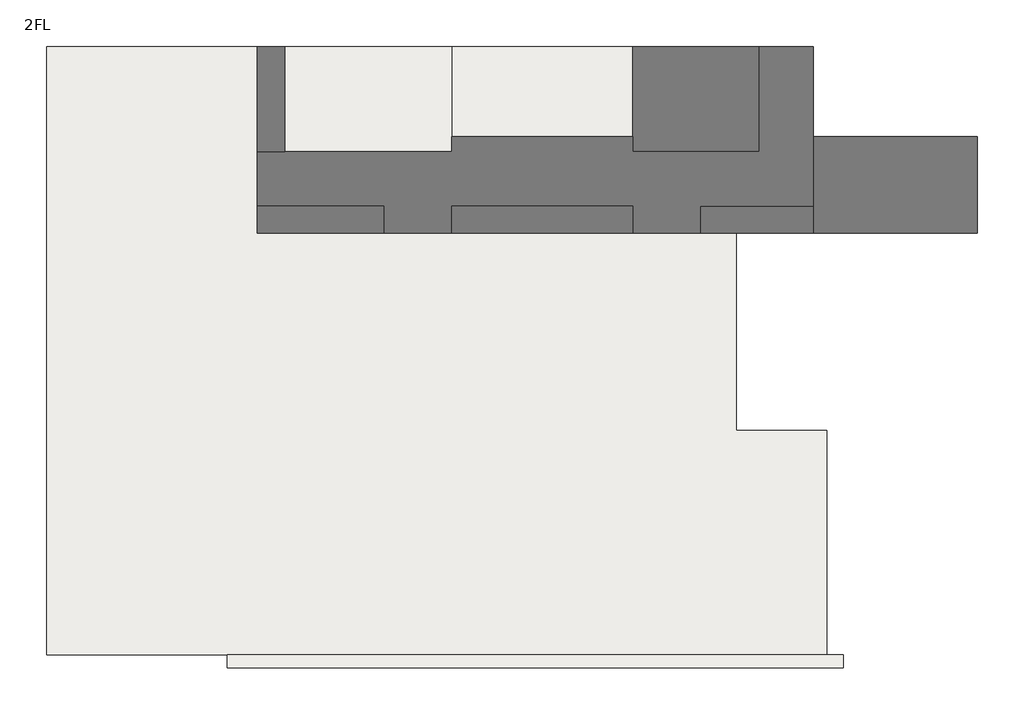
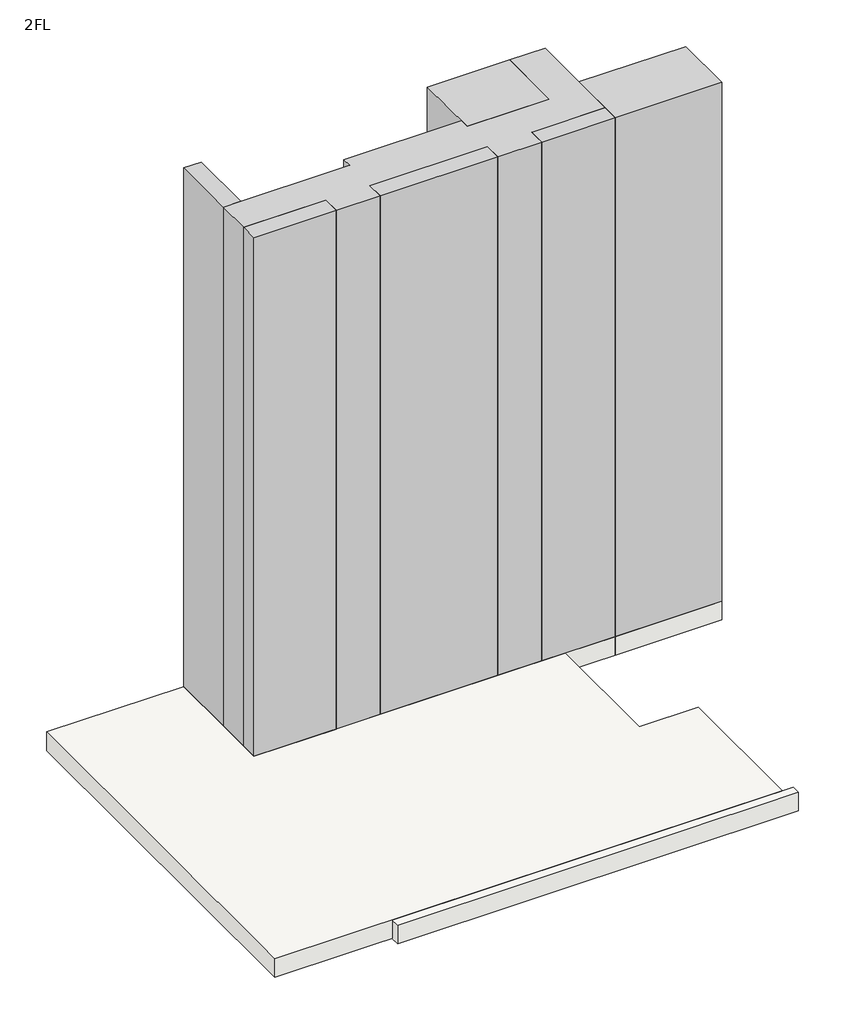
# One storey: 11 slabs, 7 proxies.
"""IFC4 building model written with IfcOpenShell, lengths in millimetres."""

from ifc_helpers import new_model, si_unit, frame, origin, place, context, project, spatial, polyline, outline, extrude, element, save

model = new_model("IFC4")

# Units and contexts
model_context = context("Model", 3, world=origin())
ifc_project = project(units=[si_unit("LENGTHUNIT", "METRE", prefix="MILLI")], contexts=[model_context])

# Site, building, storey
site = spatial("IfcSite", under=ifc_project)
building = spatial("IfcBuilding", under=site)
storey = spatial("IfcBuildingStorey", under=building, Name="2FL", Elevation=4600.0)

# Proxies
placement = place(None, origin())
element("IfcBuildingElementProxy", 1, Name="Mass", at=placement, inside=storey, context=model_context, shape_type="SweptSolid", body=[
    extrude(outline(polyline([(-5195.9784025, 16649.6868987), (-5195.9784025, 13149.6868987), (-9395.9784025, 13149.6868987), (-9395.9784025, 16649.6868987), (-5195.9784025, 16649.6868987)])), frame((0.0, 0.0, 4600.0), z_axis=(0.0, 0.0, 1.0), x_axis=(1.0, 0.0, 0.0)), (0.0, 0.0, 1.0), 28000.0),
])
element("IfcBuildingElementProxy", 2, Name="Mass", at=placement, inside=storey, context=model_context, shape_type="SweptSolid", body=[
    extrude(outline(polyline([(2054.0215975, 13649.6868987), (2054.0215975, 10449.6868987), (-3395.9784025, 10449.6868987), (-3395.9784025, 13649.6868987), (2054.0215975, 13649.6868987)])), frame((0.0, 0.0, 4600.0), z_axis=(0.0, 0.0, 1.0), x_axis=(1.0, 0.0, 0.0)), (0.0, 0.0, 1.0), 28000.0),
])
element("IfcBuildingElementProxy", 3, Name="Mass", at=placement, inside=storey, context=model_context, shape_type="SweptSolid", body=[
    extrude(outline(polyline([(-20945.9784025, 16649.6868987), (-20945.9784025, 13149.6868987), (-21845.9784025, 13149.6868987), (-21845.9784025, 16649.6868987), (-20945.9784025, 16649.6868987)])), frame((0.0, 0.0, 4600.0), z_axis=(0.0, 0.0, 1.0), x_axis=(1.0, 0.0, 0.0)), (0.0, 0.0, 1.0), 28000.0),
])
element("IfcBuildingElementProxy", 4, Name="Mass", at=placement, inside=storey, context=model_context, shape_type="SweptSolid", body=[
    extrude(outline(polyline([(-17645.9784025, 11349.6868987), (-17645.9784025, 10449.6868987), (-21845.9784025, 10449.6868987), (-21845.9784025, 11349.6868987), (-17645.9784025, 11349.6868987)])), frame((0.0, 0.0, 4600.0), z_axis=(0.0, 0.0, 1.0), x_axis=(1.0, 0.0, 0.0)), (0.0, 0.0, 1.0), 28000.0),
])
element("IfcBuildingElementProxy", 5, Name="Mass", at=placement, inside=storey, context=model_context, shape_type="SweptSolid", body=[
    extrude(outline(polyline([(-9395.9784025, 11349.6868987), (-9395.9784025, 10449.6868987), (-15395.9784025, 10449.6868987), (-15395.9784025, 11349.6868987), (-9395.9784025, 11349.6868987)])), frame((0.0, 0.0, 4600.0), z_axis=(0.0, 0.0, 1.0), x_axis=(1.0, 0.0, 0.0)), (0.0, 0.0, 1.0), 28000.0),
])
element("IfcBuildingElementProxy", 6, Name="Mass", at=placement, inside=storey, context=model_context, shape_type="SweptSolid", body=[
    extrude(outline(polyline([(-3395.9784025, 11349.6868987), (-3395.9784025, 10449.6868987), (-7145.9784025, 10449.6868987), (-7145.9784025, 11349.6868987), (-3395.9784025, 11349.6868987)])), frame((0.0, 0.0, 4600.0), z_axis=(0.0, 0.0, 1.0), x_axis=(1.0, 0.0, 0.0)), (0.0, 0.0, 1.0), 28000.0),
])
element("IfcBuildingElementProxy", 7, Name="Mass", at=placement, inside=storey, context=model_context, shape_type="SweptSolid", body=[
    extrude(outline(polyline([(-15395.9784025, 13149.6868987), (-15395.9784025, 13649.6868987), (-9395.9784025, 13649.6868987), (-9395.9784025, 13149.6868987), (-5195.9784025, 13149.6868987), (-5195.9784025, 16649.6868987), (-3395.9784025, 16649.6868987), (-3395.9784025, 11349.6868987), (-7145.9784025, 11349.6868987), (-7145.9784025, 10449.6868987), (-9395.9784025, 10449.6868987), (-9395.9784025, 11349.6868987), (-15395.9784025, 11349.6868987), (-15395.9784025, 10449.6868987), (-17645.9784025, 10449.6868987), (-17645.9784025, 11349.6868987), (-21845.9784025, 11349.6868987), (-21845.9784025, 13149.6868987), (-15395.9784025, 13149.6868987)])), frame((0.0, 0.0, 4600.0), z_axis=(0.0, 0.0, 1.0), x_axis=(1.0, 0.0, 0.0)), (0.0, 0.0, 1.0), 28000.0),
])

# Slabs
element("IfcSlab", 8, at=placement, inside=storey, context=model_context, shape_type="SweptSolid", body=[
    extrude(outline(polyline([(2054.0215975, 13649.6868987), (2054.0215975, 10449.6868987), (-3395.9784025, 10449.6868987), (-3395.9784025, 13649.6868987), (2054.0215975, 13649.6868987)])), frame((0.0, 0.0, 3600.0), z_axis=(0.0, 0.0, 1.0), x_axis=(1.0, 0.0, 0.0)), (0.0, 0.0, 1.0), 1000.0),
])
element("IfcSlab", 9, at=placement, inside=storey, context=model_context, shape_type="SweptSolid", body=[
    extrude(outline(polyline([(-3395.9784025, 11349.6868987), (-3395.9784025, 10449.6868987), (-7145.9784025, 10449.6868987), (-7145.9784025, 11349.6868987), (-3395.9784025, 11349.6868987)])), frame((0.0, 0.0, 3600.0), z_axis=(0.0, 0.0, 1.0), x_axis=(1.0, 0.0, 0.0)), (0.0, 0.0, 1.0), 1000.0),
])
element("IfcSlab", 10, at=placement, inside=storey, context=model_context, shape_type="SweptSolid", body=[
    extrude(outline(polyline([(-9395.9784025, 11349.6868987), (-9395.9784025, 10449.6868987), (-15395.9784025, 10449.6868987), (-15395.9784025, 11349.6868987), (-9395.9784025, 11349.6868987)])), frame((0.0, 0.0, 3600.0), z_axis=(0.0, 0.0, 1.0), x_axis=(1.0, 0.0, 0.0)), (0.0, 0.0, 1.0), 1000.0),
])
element("IfcSlab", 11, at=placement, inside=storey, context=model_context, shape_type="SweptSolid", body=[
    extrude(outline(polyline([(-17645.9784025, 11349.6868987), (-17645.9784025, 10449.6868987), (-21845.9784025, 10449.6868987), (-21845.9784025, 11349.6868987), (-17645.9784025, 11349.6868987)])), frame((0.0, 0.0, 3600.0), z_axis=(0.0, 0.0, 1.0), x_axis=(1.0, 0.0, 0.0)), (0.0, 0.0, 1.0), 1000.0),
])
element("IfcSlab", 12, at=placement, inside=storey, context=model_context, shape_type="SweptSolid", body=[
    extrude(outline(polyline([(-20945.9784025, 16649.6868987), (-20945.9784025, 13149.6868987), (-21845.9784025, 13149.6868987), (-21845.9784025, 16649.6868987), (-20945.9784025, 16649.6868987)])), frame((0.0, 0.0, 3600.0), z_axis=(0.0, 0.0, 1.0), x_axis=(1.0, 0.0, 0.0)), (0.0, 0.0, 1.0), 1000.0),
])
element("IfcSlab", 13, at=placement, inside=storey, context=model_context, shape_type="SweptSolid", body=[
    extrude(outline(polyline([(-28845.9784025, -3550.3131013), (-28845.9784025, 16649.6868987), (-21845.9784025, 16649.6868987), (-21845.9784025, 10449.6868987), (-5945.9784025, 10449.6868987), (-5945.9784025, 3899.6868987), (-2945.9784025, 3899.6868987), (-2945.9784025, -3550.3131013), (-28845.9784025, -3550.3131013)])), frame((0.0, 0.0, 3600.0), z_axis=(0.0, 0.0, 1.0), x_axis=(1.0, 0.0, 0.0)), (0.0, 0.0, 1.0), 1000.0),
])
element("IfcSlab", 14, at=placement, inside=storey, context=model_context, shape_type="SweptSolid", body=[
    extrude(outline(polyline([(-9395.9784025, 16649.6868987), (-9395.9784025, 13649.6868987), (-15395.9784025, 13649.6868987), (-15395.9784025, 16649.6868987), (-9395.9784025, 16649.6868987)])), frame((0.0, 0.0, 3600.0), z_axis=(0.0, 0.0, 1.0), x_axis=(1.0, 0.0, 0.0)), (0.0, 0.0, 1.0), 1000.0),
])
element("IfcSlab", 15, at=placement, inside=storey, context=model_context, shape_type="SweptSolid", body=[
    extrude(outline(polyline([(-5195.9784025, 16649.6868987), (-5195.9784025, 13149.6868987), (-9395.9784025, 13149.6868987), (-9395.9784025, 16649.6868987), (-5195.9784025, 16649.6868987)])), frame((0.0, 0.0, 3600.0), z_axis=(0.0, 0.0, 1.0), x_axis=(1.0, 0.0, 0.0)), (0.0, 0.0, 1.0), 1000.0),
])
element("IfcSlab", 16, at=placement, inside=storey, context=model_context, shape_type="SweptSolid", body=[
    extrude(outline(polyline([(-15395.9784025, 16649.6868987), (-15395.9784025, 13149.6868987), (-20945.9784025, 13149.6868987), (-20945.9784025, 16649.6868987), (-15395.9784025, 16649.6868987)])), frame((0.0, 0.0, 3600.0), z_axis=(0.0, 0.0, 1.0), x_axis=(1.0, 0.0, 0.0)), (0.0, 0.0, 1.0), 1000.0),
])
element("IfcSlab", 17, at=placement, inside=storey, context=model_context, shape_type="SweptSolid", body=[
    extrude(outline(polyline([(-15395.9784025, 13149.6868987), (-15395.9784025, 13649.6868987), (-9395.9784025, 13649.6868987), (-9395.9784025, 13149.6868987), (-5195.9784025, 13149.6868987), (-5195.9784025, 16649.6868987), (-3395.9784025, 16649.6868987), (-3395.9784025, 11349.6868987), (-7145.9784025, 11349.6868987), (-7145.9784025, 10449.6868987), (-9395.9784025, 10449.6868987), (-9395.9784025, 11349.6868987), (-15395.9784025, 11349.6868987), (-15395.9784025, 10449.6868987), (-17645.9784025, 10449.6868987), (-17645.9784025, 11349.6868987), (-21845.9784025, 11349.6868987), (-21845.9784025, 13149.6868987), (-15395.9784025, 13149.6868987)])), frame((0.0, 0.0, 3600.0), z_axis=(0.0, 0.0, 1.0), x_axis=(1.0, 0.0, 0.0)), (0.0, 0.0, 1.0), 1000.0),
])
element("IfcSlab", 18, at=placement, inside=storey, context=model_context, shape_type="SweptSolid", body=[
    extrude(outline(polyline([(-22845.9784025, -3550.3131013), (-2395.9784025, -3550.3131013), (-2395.9784025, -3994.809837), (-22845.9784025, -3994.809837), (-22845.9784025, -3550.3131013)])), frame((0.0, 0.0, 3600.0), z_axis=(0.0, 0.0, 1.0), x_axis=(1.0, 0.0, 0.0)), (0.0, 0.0, 1.0), 1000.0),
])

save(model, "model.ifc")
